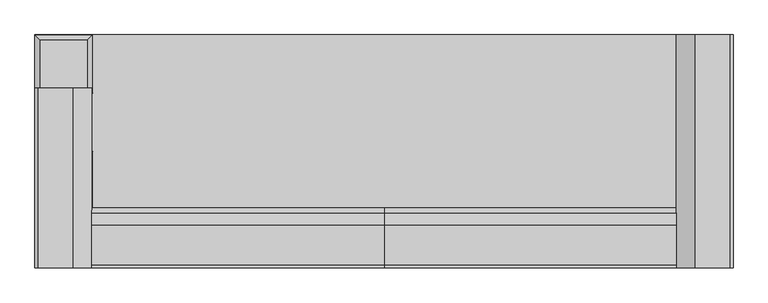
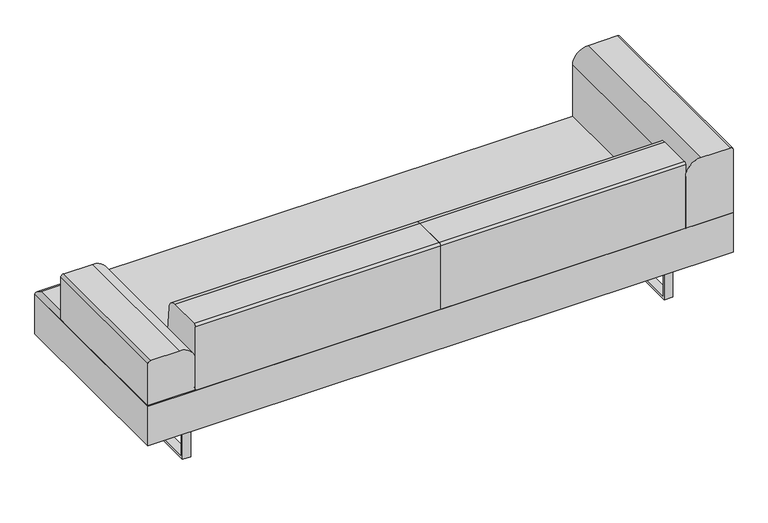
"""IFC4 building model written with IfcOpenShell, lengths in millimetres: furniture geometry."""

from ifc_helpers import new_model, si_unit, point, frame, frame_2d, origin, place, context, project, spatial, polyline, circle_curve, ellipse_curve, trimmed, segment, composite_curve, outline, extrude, source, transform, mapped, element, save
from ifc_brep_helpers import plane_surface, cylinder_surface, advanced_brep


def furniture_389c139d(model_context):
    return source(origin(), model_context, "Body", "SolidModel", [
        advanced_brep(
        [(-1128.5755122, -17.9605122, 411.6605122), (-1312.3644878, -17.9605122, 411.6605122), (-1312.3644878, -204.2894878, 411.6605122), (-1128.5755122, -204.2894878, 411.6605122), (-1110.615, -222.25, 393.7), (-1330.325, -222.25, 393.7), (-1330.325, 0.0, 393.7), (-1110.615, 0.0, 393.7)],
        [
            (0, 1),
            (1, 2),
            (2, 3),
            (3, 0),
            (4, 5),
            (5, 6),
            (6, 7),
            (7, 4),
            (7, 0, ellipse_curve(frame((-1128.5755122, -17.9605122, 393.7), z_axis=(0.7071067811865475, -0.7071067811865475, 0.0), x_axis=(-0.7071067811865474, -0.7071067811865476, 0.0)), 25.4, 17.9605122)),
            (3, 4, ellipse_curve(frame((-1128.5755122, -204.2894878, 393.7), z_axis=(0.7071067811865475, 0.7071067811865475, 0.0), x_axis=(0.7071067811865474, -0.7071067811865476, 0.0)), 25.4, 17.9605122)),
            (6, 1, ellipse_curve(frame((-1312.3644878, -17.9605122, 393.7), z_axis=(0.7071067811865475, 0.7071067811865475, 0.0), x_axis=(0.7071067811865476, -0.7071067811865474, 0.0)), 25.4, 17.9605122)),
            (5, 2, ellipse_curve(frame((-1312.3644878, -204.2894878, 393.7), z_axis=(-0.7071067811865475, 0.7071067811865475, 0.0), x_axis=(0.7071067811865474, 0.7071067811865476, 0.0)), 25.4, 17.9605122)),
        ],
        [
            plane_surface(frame((-1312.3644878, -204.2894878, 411.6605122), z_axis=(0.0, 0.0, 1.0), x_axis=(-1.0, 0.0, 0.0))),
            plane_surface(frame((-1312.3644878, -204.2894878, 393.7), z_axis=(0.0, 0.0, -1.0), x_axis=(1.0, 0.0, 0.0))),
            cylinder_surface(frame((-1128.5755122, -222.25, 393.7), z_axis=(0.0, -1.0, 0.0), x_axis=(1.0, 0.0, 0.0)), 17.9605122),
            cylinder_surface(frame((-1110.615, -17.9605122, 393.7), z_axis=(1.0, 0.0, 0.0), x_axis=(0.0, 1.0, 0.0)), 17.9605122),
            cylinder_surface(frame((-1312.3644878, 0.0, 393.7), z_axis=(0.0, 1.0, 0.0), x_axis=(-1.0, 0.0, 0.0)), 17.9605122),
            cylinder_surface(frame((-1330.325, -204.2894878, 393.7), z_axis=(-1.0, 0.0, 0.0), x_axis=(0.0, -1.0, 0.0)), 17.9605122),
        ],
        [
            (0, [[1, 2, 3, 4]]),
            (1, [[5, 6, 7, 8]]),
            (2, [[-8, 9, -4, 10]]),
            (3, [[-7, 11, -1, -9]]),
            (4, [[-6, 12, -2, -11]]),
            (5, [[-3, -12, -5, -10]]),
        ],
    ),
        advanced_brep(
        [(-1128.5755122, -240.2105122, 411.6605122), (-1312.3644878, -240.2105122, 411.6605122), (-1312.3644878, -426.5394878, 411.6605122), (-1128.5755122, -426.5394878, 411.6605122), (-1110.615, -444.5, 393.7), (-1330.325, -444.5, 393.7), (-1330.325, -222.25, 393.7), (-1110.615, -222.25, 393.7)],
        [
            (0, 1),
            (1, 2),
            (2, 3),
            (3, 0),
            (4, 5),
            (5, 6),
            (6, 7),
            (7, 4),
            (7, 0, ellipse_curve(frame((-1128.5755122, -240.2105122, 393.7), z_axis=(0.7071067811865475, -0.7071067811865475, 0.0), x_axis=(-0.7071067811865474, -0.7071067811865476, 0.0)), 25.4, 17.9605122)),
            (3, 4, ellipse_curve(frame((-1128.5755122, -426.5394878, 393.7), z_axis=(0.7071067811865475, 0.7071067811865475, 0.0), x_axis=(0.7071067811865474, -0.7071067811865476, 0.0)), 25.4, 17.9605122)),
            (6, 1, ellipse_curve(frame((-1312.3644878, -240.2105122, 393.7), z_axis=(0.7071067811865475, 0.7071067811865475, 0.0), x_axis=(0.7071067811865476, -0.7071067811865474, 0.0)), 25.4, 17.9605122)),
            (5, 2, ellipse_curve(frame((-1312.3644878, -426.5394878, 393.7), z_axis=(-0.7071067811865475, 0.7071067811865475, 0.0), x_axis=(0.7071067811865474, 0.7071067811865476, 0.0)), 25.4, 17.9605122)),
        ],
        [
            plane_surface(frame((-1312.3644878, -426.5394878, 411.6605122), z_axis=(0.0, 0.0, 1.0), x_axis=(-1.0, 0.0, 0.0))),
            plane_surface(frame((-1312.3644878, -426.5394878, 393.7), z_axis=(0.0, 0.0, -1.0), x_axis=(1.0, 0.0, 0.0))),
            cylinder_surface(frame((-1128.5755122, -444.5, 393.7), z_axis=(0.0, -1.0, 0.0), x_axis=(1.0, 0.0, 0.0)), 17.9605122),
            cylinder_surface(frame((-1110.615, -240.2105122, 393.7), z_axis=(1.0, 0.0, 0.0), x_axis=(0.0, 1.0, 0.0)), 17.9605122),
            cylinder_surface(frame((-1312.3644878, -222.25, 393.7), z_axis=(0.0, 1.0, 0.0), x_axis=(-1.0, 0.0, 0.0)), 17.9605122),
            cylinder_surface(frame((-1330.325, -426.5394878, 393.7), z_axis=(-1.0, 0.0, 0.0), x_axis=(0.0, -1.0, 0.0)), 17.9605122),
        ],
        [
            (0, [[1, 2, 3, 4]]),
            (1, [[5, 6, 7, 8]]),
            (2, [[-8, 9, -4, 10]]),
            (3, [[-7, 11, -1, -9]]),
            (4, [[-6, 12, -2, -11]]),
            (5, [[-3, -12, -5, -10]]),
        ],
    ),
        advanced_brep(
        [(-1110.615, 222.25, 393.7), (-1110.615, 444.5, 393.7), (-1128.5755122, 426.5394878, 411.6605122), (-1128.5755122, 240.2105122, 411.6605122), (-1330.325, 444.5, 393.7), (-1312.3644878, 426.5394878, 411.6605122), (-1330.325, 222.25, 393.7), (-1312.3644878, 240.2105122, 411.6605122)],
        [
            (0, 1),
            (1, 2, ellipse_curve(frame((-1128.5755122, 426.5394878, 393.7), z_axis=(0.7071067811865475, -0.7071067811865475, 0.0), x_axis=(-0.7071067811865474, -0.7071067811865476, 0.0)), 25.4, 17.9605122)),
            (2, 3),
            (3, 0, ellipse_curve(frame((-1128.5755122, 240.2105122, 393.7), z_axis=(0.7071067811865475, 0.7071067811865475, 0.0), x_axis=(0.7071067811865474, -0.7071067811865476, 0.0)), 25.4, 17.9605122)),
            (1, 4),
            (4, 5, ellipse_curve(frame((-1312.3644878, 426.5394878, 393.7), z_axis=(0.7071067811865475, 0.7071067811865475, 0.0), x_axis=(0.7071067811865476, -0.7071067811865474, 0.0)), 25.4, 17.9605122)),
            (5, 2),
            (4, 6),
            (6, 7, ellipse_curve(frame((-1312.3644878, 240.2105122, 393.7), z_axis=(-0.7071067811865475, 0.7071067811865475, 0.0), x_axis=(0.7071067811865474, 0.7071067811865476, 0.0)), 25.4, 17.9605122)),
            (7, 5),
            (3, 7),
            (6, 0),
        ],
        [
            cylinder_surface(frame((-1128.5755122, 222.25, 393.7), z_axis=(0.0, -1.0, 0.0), x_axis=(1.0, 0.0, 0.0)), 17.9605122),
            cylinder_surface(frame((-1110.615, 426.5394878, 393.7), z_axis=(1.0, 0.0, 0.0), x_axis=(0.0, 1.0, 0.0)), 17.9605122),
            cylinder_surface(frame((-1312.3644878, 444.5, 393.7), z_axis=(0.0, 1.0, 0.0), x_axis=(-1.0, 0.0, 0.0)), 17.9605122),
            cylinder_surface(frame((-1330.325, 240.2105122, 393.7), z_axis=(-1.0, 0.0, 0.0), x_axis=(0.0, -1.0, 0.0)), 17.9605122),
            plane_surface(frame((-1330.325, 222.25, 393.7), z_axis=(0.0, 0.0, -1.0), x_axis=(1.0, 0.0, 0.0))),
            plane_surface(frame((-1312.3644878, 240.2105122, 411.6605122), z_axis=(0.0, 0.0, 1.0), x_axis=(-1.0, 0.0, 0.0))),
        ],
        [
            (0, [[1, 2, 3, 4]]),
            (1, [[5, 6, 7, -2]]),
            (2, [[8, 9, 10, -6]]),
            (3, [[11, -9, 12, -4]]),
            (4, [[-12, -8, -5, -1]]),
            (5, [[-7, -10, -11, -3]]),
        ],
    ),
        extrude(outline(polyline([(339.4724839, 0.0), (-341.6588694, 0.0), (-341.6588694, 203.2), (339.4724839, 203.2), (339.4724839, 0.0)]), holes=[polyline([(326.7724839, 190.5), (-328.9588694, 190.5), (-328.9588694, 12.7), (326.7724839, 12.7), (326.7724839, 190.5)])]), frame((-1114.425, 0.0, 0.0), z_axis=(1.0, 0.0, 0.0), x_axis=(0.0, 1.0, 0.0)), (0.0, 0.0, 1.0), 38.0999535),
        extrude(outline(polyline([(339.4724839, 203.2), (339.4724839, 0.0), (-341.6588694, 0.0), (-341.6588694, 203.2), (339.4724839, 203.2)]), holes=[polyline([(326.7724839, 12.7), (326.7724839, 190.5), (-328.9588694, 190.5), (-328.9588694, 12.7), (326.7724839, 12.7)])]), frame((1076.3250465, 0.0, 0.0), z_axis=(1.0, 0.0, 0.0), x_axis=(0.0, 1.0, 0.0)), (0.0, 0.0, 1.0), 38.0999535),
        extrude(outline(polyline([(1330.325, -444.5), (-1330.325, -444.5), (-1330.325, 444.5), (1330.325, 444.5), (1330.325, -444.5)])), frame((0.0, 0.0, 203.2), z_axis=(0.0, 0.0, 1.0), x_axis=(1.0, 0.0, 0.0)), (0.0, 0.0, 1.0), 190.5),
        extrude(outline(composite_curve([segment(trimmed(circle_curve(frame_2d((696.9125, 1317.625)), 12.7), [point((696.9125, 1330.325))], [point((709.6125, 1317.625))], False, "CARTESIAN"), True, "CONTINUOUS"), segment(polyline([(709.6125, 1317.625), (709.6125, 1184.2752345)]), True, "CONTINUOUS"), segment(trimmed(circle_curve(frame_2d((639.7622655, 1184.2752345)), 69.8502345), [point((709.6125, 1184.2752345))], [point((639.7622655, 1114.425))], False, "CARTESIAN"), True, "CONTINUOUS"), segment(polyline([(639.7622655, 1114.425), (393.7, 1114.425), (393.7, 1330.325), (696.9125, 1330.325)]), True, "CONTINUOUS")], self_intersect=False)), frame((0.0, -444.5, 0.0), z_axis=(0.0, 1.0, 0.0), x_axis=(0.0, 0.0, 1.0)), (0.0, 0.0, 1.0), 889.0),
        extrude(outline(composite_curve([segment(polyline([(-444.5, 393.7), (-444.5, 699.3625993)]), True, "CONTINUOUS"), segment(trimmed(circle_curve(frame_2d((-434.544558, 699.3625993)), 9.955442), [point((-444.5, 699.3625993))], [point((-434.544558, 709.3180412))], False, "CARTESIAN"), True, "CONTINUOUS"), segment(polyline([(-434.544558, 709.3180412), (-282.1937319, 709.3180412)]), True, "CONTINUOUS"), segment(trimmed(circle_curve(frame_2d((-282.1937319, 664.8680412)), 44.45), [point((-282.1937319, 709.3180412))], [point((-237.9512344, 669.1580194))], False, "CARTESIAN"), True, "CONTINUOUS"), segment(polyline([(-237.9512344, 669.1580194), (-215.3053904, 435.6116811)]), True, "CONTINUOUS"), segment(trimmed(circle_curve(frame_2d((-263.4189927, 430.9463408)), 48.3392606), [point((-215.3053904, 435.6116811))], [point((-232.6067514, 393.7))], False, "CARTESIAN"), True, "CONTINUOUS"), segment(polyline([(-232.6067514, 393.7), (-444.5, 393.7)]), True, "CONTINUOUS")], self_intersect=False)), frame((-1114.425, 0.0, 0.0), z_axis=(1.0, 0.0, 0.0), x_axis=(0.0, 1.0, 0.0)), (0.0, 0.0, 1.0), 1114.425),
        extrude(outline(composite_curve([segment(polyline([(596.9, -1330.325), (393.7, -1330.325), (393.7, -1114.425), (539.7497655, -1114.425)]), True, "CONTINUOUS"), segment(trimmed(circle_curve(frame_2d((539.7497655, -1184.2752345)), 69.8502345), [point((539.7497655, -1114.425))], [point((609.6, -1184.2752345))], False, "CARTESIAN"), True, "CONTINUOUS"), segment(polyline([(609.6, -1184.2752345), (609.6, -1317.625)]), True, "CONTINUOUS"), segment(trimmed(circle_curve(frame_2d((596.9, -1317.625)), 12.7), [point((609.6, -1317.625))], [point((596.9, -1330.325))], False, "CARTESIAN"), True, "CONTINUOUS")], self_intersect=False)), frame((0.0, -444.5, 0.0), z_axis=(0.0, 1.0, 0.0), x_axis=(0.0, 0.0, 1.0)), (0.0, 0.0, 1.0), 685.8),
        extrude(outline(composite_curve([segment(polyline([(-444.5, 393.7), (-444.5, 699.3625993)]), True, "CONTINUOUS"), segment(trimmed(circle_curve(frame_2d((-434.544558, 699.3625993)), 9.955442), [point((-444.5, 699.3625993))], [point((-434.544558, 709.3180412))], False, "CARTESIAN"), True, "CONTINUOUS"), segment(polyline([(-434.544558, 709.3180412), (-282.1937319, 709.3180412)]), True, "CONTINUOUS"), segment(trimmed(circle_curve(frame_2d((-282.1937319, 664.8680412)), 44.45), [point((-282.1937319, 709.3180412))], [point((-237.9512344, 669.1580194))], False, "CARTESIAN"), True, "CONTINUOUS"), segment(polyline([(-237.9512344, 669.1580194), (-215.3053904, 435.6116811)]), True, "CONTINUOUS"), segment(trimmed(circle_curve(frame_2d((-263.4189927, 430.9463408)), 48.3392606), [point((-215.3053904, 435.6116811))], [point((-232.6067514, 393.7))], False, "CARTESIAN"), True, "CONTINUOUS"), segment(polyline([(-232.6067514, 393.7), (-444.5, 393.7)]), True, "CONTINUOUS")], self_intersect=False)), frame((0.0, 0.0, 0.0), z_axis=(1.0, 0.0, 0.0), x_axis=(0.0, 1.0, 0.0)), (0.0, 0.0, 1.0), 1114.425),
    ])


if __name__ == "__main__":
    model = new_model("IFC4")
    model_context = context("Model", 3, world=origin())
    ifc_project = project(units=[si_unit("LENGTHUNIT", "METRE", prefix="MILLI")], contexts=[model_context])
    site = spatial("IfcSite", under=ifc_project)
    building = spatial("IfcBuilding", under=site)
    placement = place(None, origin())
    furniture_shape = furniture_389c139d(model_context)
    element("IfcFurniture", 1, at=placement, inside=building, context=model_context, shape_type="MappedRepresentation", body=[
        mapped(furniture_shape, transform((0.0, 0.0, 0.0), x_axis=(1.0, 0.0, 0.0), y_axis=(0.0, 1.0, 0.0), z_axis=(0.0, 0.0, 1.0))),
    ])
    save(model, "model.ifc")
